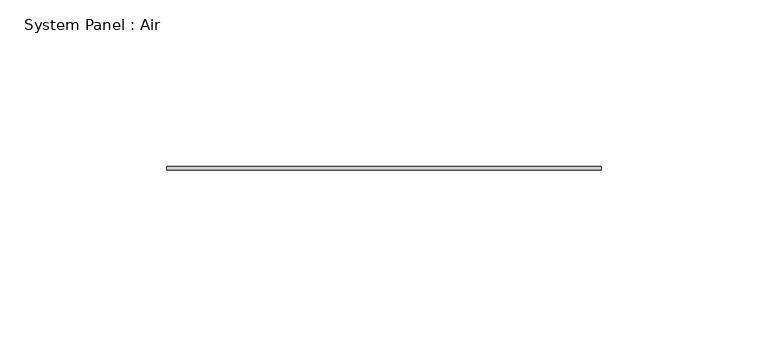
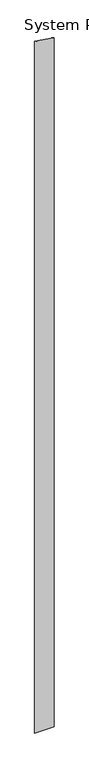
"""IFC4 building model written with IfcOpenShell, lengths in millimetres: plate geometry, System Panel : Air."""

from ifc_helpers import new_model, si_unit, frame, origin, place, context, project, spatial, polyline, outline, extrude, source, transform, mapped, element, save


def system_panel_air_d73b01e4(model_context):
    return source(origin(), model_context, "Body", "SweptSolid", [
        extrude(outline(polyline([(0.0, -65.0), (0.0, 65.0), (4881.6101648, 65.0), (4900.8470739, -65.0), (0.0, -65.0)])), frame((0.0, 36.5, 0.0), z_axis=(0.0, 1.0, 0.0), x_axis=(0.0, 0.0, 1.0)), (0.0, 0.0, 1.0), 1.0),
    ])


if __name__ == "__main__":
    model = new_model("IFC4")
    model_context = context("Model", 3, world=origin())
    ifc_project = project(units=[si_unit("LENGTHUNIT", "METRE", prefix="MILLI")], contexts=[model_context])
    site = spatial("IfcSite", under=ifc_project)
    building = spatial("IfcBuilding", under=site)
    placement = place(None, origin())
    system_panel_air_shape = system_panel_air_d73b01e4(model_context)
    element("IfcPlate", 1, ObjectType="System Panel : Air", at=placement, inside=building, context=model_context, shape_type="MappedRepresentation", body=[
        mapped(system_panel_air_shape, transform((0.0, 0.0, 0.0), x_axis=(1.0, 0.0, 0.0), y_axis=(0.0, 1.0, 0.0), z_axis=(0.0, 0.0, 1.0))),
    ])
    save(model, "model.ifc")
